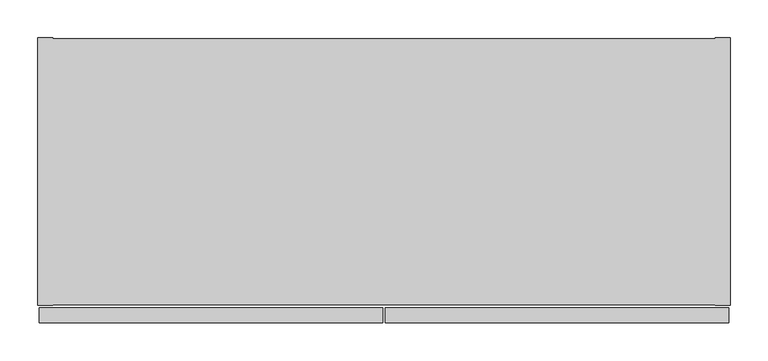
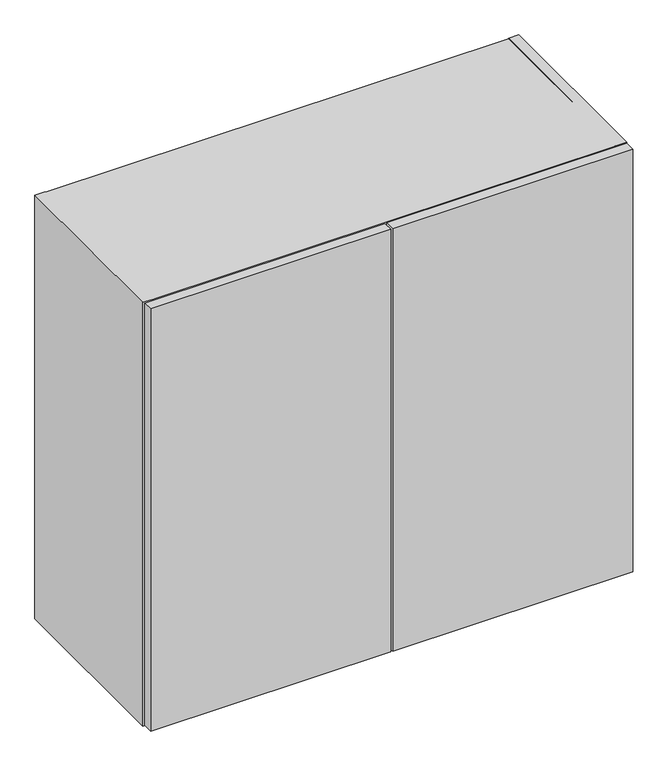
"""IFC4 building model written with IfcOpenShell, lengths in millimetres: furniture geometry."""

from ifc_helpers import new_model, si_unit, origin, place, context, project, spatial, triangles, source, transform, mapped, element, save


def furniture_fd27b51f(model_context):
    return source(origin(), model_context, "Body", "Tessellation", [
        triangles([(891.2860039, -351.409001, 769.1119932), (891.2860039, -20.8280006, 769.1119932), (19.9389992, -20.8280006, 769.1119932), (19.9389992, -351.409001, 769.1119932), (891.2860039, -20.8280006, 749.8080116), (19.9389992, -20.8280006, 749.8080116), (891.2860039, -351.409001, 749.8080116), (19.9389992, -351.409001, 749.8080116), (891.2860039, -351.409001, 1093.2159748), (891.2860039, -20.8280006, 1093.2159748), (19.9389992, -20.8280006, 1093.2159748), (19.9389992, -351.409001, 1093.2159748), (891.2860039, -20.8280006, 1073.9119932), (19.9389992, -20.8280006, 1073.9119932), (891.2860039, -351.409001, 1073.9119932), (19.9389992, -351.409001, 1073.9119932)], [[1, 2, 3], [1, 3, 4], [3, 2, 5], [3, 5, 6], [5, 7, 8], [5, 8, 6], [8, 7, 1], [8, 1, 4], [7, 5, 2], [7, 2, 1], [8, 4, 3], [8, 3, 6], [9, 10, 11], [9, 11, 12], [11, 10, 13], [11, 13, 14], [13, 15, 16], [13, 16, 14], [16, 15, 9], [16, 9, 12], [15, 13, 10], [15, 10, 9], [16, 12, 11], [16, 11, 14]]),
        triangles([(1.5875, -374.6499879, 583.5649976), (454.0884893, -374.6499879, 583.5649976), (454.0884893, -374.6499879, 1424.2287643), (1.5875, -374.6499879, 1424.2287643), (454.0884893, -355.3460063, 583.5649976), (454.0884893, -355.3460063, 1424.2287643), (1.5875, -355.3460063, 583.5649976), (1.5875, -355.3460063, 1424.2287643), (909.6375, -374.6499879, 1424.2287643), (457.1364864, -374.6499879, 1424.2287643), (457.1364864, -374.6499879, 583.5649976), (909.6375, -374.6499879, 583.5649976), (457.1364864, -355.3460063, 1424.2287643), (457.1364864, -355.3460063, 583.5649976), (909.6375, -355.3460063, 1424.2287643), (909.6375, -355.3460063, 583.5649976)], [[1, 2, 3], [1, 3, 4], [3, 2, 5], [3, 5, 6], [5, 7, 8], [5, 8, 6], [8, 7, 1], [8, 1, 4], [7, 5, 2], [7, 2, 1], [8, 4, 3], [8, 3, 6], [9, 10, 11], [9, 11, 12], [13, 14, 11], [13, 11, 10], [13, 15, 14], [15, 16, 14], [9, 12, 16], [9, 16, 15], [12, 11, 14], [12, 14, 16], [13, 10, 9], [13, 9, 15]]),
        triangles([(911.2249758, -352.1709821, 580.3900097), (911.2249758, 0.0, 580.3900097), (911.2249758, 0.0, 1424.2287643), (911.2249758, -352.1709821, 1424.2287643), (891.9209942, 0.0, 580.3900097), (891.9209942, 0.0, 1424.2287643), (891.9209942, -352.1709821, 580.3900097), (891.9209942, -352.1709821, 1424.2287643), (19.3039998, -352.1709821, 580.3900097), (19.3039998, 0.0, 580.3900097), (19.3039998, 0.0, 1424.2287643), (19.3039998, -352.1709821, 1424.2287643), (0.0, 0.0, 580.3900097), (0.0, 0.0, 1424.2287643), (0.0, -352.1709821, 580.3900097), (0.0, -352.1709821, 1424.2287643), (19.3039998, -20.8280006, 580.3900097), (891.9209942, -20.8280006, 580.3900097), (891.9209942, -20.8280006, 1404.162838), (19.3039998, -20.8280006, 1404.162838), (891.9209942, -1.524, 580.3900097), (891.9209942, -1.524, 1404.162838), (19.3039998, -1.524, 580.3900097), (19.3039998, -1.524, 1404.162838), (891.9209942, -351.409001, 1423.4667469), (891.9209942, -0.762, 1423.4667469), (19.3039998, -0.762, 1423.4667469), (19.3039998, -351.409001, 1423.4667469), (891.9209942, -0.762, 1404.162838), (19.3039998, -0.762, 1404.162838), (891.9209942, -351.409001, 1404.162838), (19.3039998, -351.409001, 1404.162838)], [[1, 2, 3], [1, 3, 4], [3, 2, 5], [3, 5, 6], [5, 7, 8], [5, 8, 6], [8, 7, 1], [8, 1, 4], [7, 5, 2], [7, 2, 1], [8, 4, 3], [8, 3, 6], [9, 10, 11], [9, 11, 12], [11, 10, 13], [11, 13, 14], [13, 15, 16], [13, 16, 14], [16, 15, 9], [16, 9, 12], [15, 13, 10], [15, 10, 9], [16, 12, 11], [16, 11, 14], [17, 18, 19], [17, 19, 20], [19, 18, 21], [19, 21, 22], [21, 23, 24], [21, 24, 22], [24, 23, 17], [24, 17, 20], [23, 21, 18], [23, 18, 17], [24, 20, 19], [24, 19, 22], [25, 26, 27], [25, 27, 28], [27, 26, 29], [27, 29, 30], [29, 31, 32], [29, 32, 30], [32, 31, 25], [32, 25, 28], [31, 29, 26], [31, 26, 25], [32, 28, 27], [32, 27, 30]]),
    ])


if __name__ == "__main__":
    model = new_model("IFC4")
    model_context = context("Model", 3, world=origin())
    ifc_project = project(units=[si_unit("LENGTHUNIT", "METRE", prefix="MILLI")], contexts=[model_context])
    site = spatial("IfcSite", under=ifc_project)
    building = spatial("IfcBuilding", under=site)
    placement = place(None, origin())
    furniture_shape = furniture_fd27b51f(model_context)
    element("IfcFurniture", 1, at=placement, inside=building, context=model_context, shape_type="MappedRepresentation", body=[
        mapped(furniture_shape, transform((0.0, 0.0, 0.0), x_axis=(1.0, 0.0, 0.0), y_axis=(0.0, 1.0, 0.0), z_axis=(0.0, 0.0, 1.0))),
    ])
    save(model, "model.ifc")
